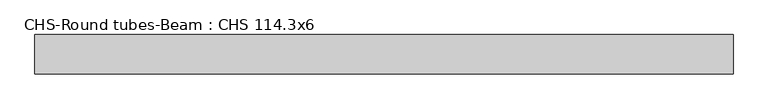
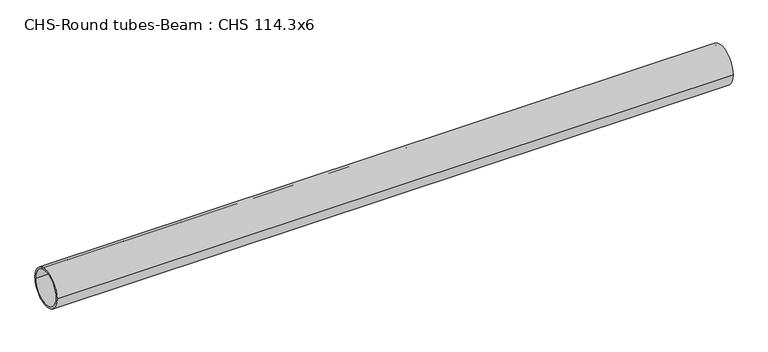
"""IFC4 building model written with IfcOpenShell, lengths in millimetres: beam geometry, CHS-Round tubes-Beam : CHS 114.3x6."""

import ifcopenshell
import ifcopenshell.guid

model = None  # the IFC model being written
_history = None  # IfcOwnerHistory: only IFC2X3 demands one
_inside = {}  # id of a spatial element -> (the spatial element, [elements in it])
_under = {}  # id of a project, library or spatial element -> (it, [spatial elements below it])
_declared = {}  # id of a project -> (the project, [libraries it declares])
_typed = {}  # id of a type object -> (the type object, [elements of that type])
_made_of = {}  # id of a material, layer set ... -> (it, [elements and type objects made of it])


def new_model(schema):
    """Start an empty IFC model of exactly this schema.

    Asked for "IFC4X3", IfcOpenShell would pick the latest addendum, in which some entities
    have other attributes; the version numbers below select the first issue.
    IFC2X3 requires an IfcOwnerHistory on every rooted entity: one is made here for all.
    """
    global model, _history
    if schema == "IFC4X3":
        model = ifcopenshell.file(schema_version=(4, 3, 0, 0))
    else:
        model = ifcopenshell.file(schema=schema)
    _inside.clear()
    _under.clear()
    _declared.clear()
    _typed.clear()
    _made_of.clear()
    _history = None
    if model.schema == "IFC2X3":
        org = make("IfcOrganization", Name="unknown")
        user = make(
            "IfcPersonAndOrganization",
            ThePerson=make("IfcPerson", FamilyName="unknown"),
            TheOrganization=org,
        )
        app = make(
            "IfcApplication",
            ApplicationDeveloper=org,
            Version="unknown",
            ApplicationFullName="unknown",
            ApplicationIdentifier="unknown",
        )
        _history = make(
            "IfcOwnerHistory",
            OwningUser=user,
            OwningApplication=app,
            ChangeAction="ADDED",
            CreationDate=0,
        )
    return model


def make(cls, **values):
    """One entity of the class cls with the attributes given. An attribute that is None is left unset."""
    return model.create_entity(
        cls, **{name: value for name, value in values.items() if value is not None}
    )


def rooted(cls, **values):
    """An entity with a GlobalId (a new one), such as an element, a storey or a relation."""
    return make(cls, GlobalId=ifcopenshell.guid.new(), OwnerHistory=_history, **values)


def si_unit(unit_type, name, prefix=None):
    """IfcSIUnit, for example si_unit("LENGTHUNIT", "METRE", prefix="MILLI")."""
    return make("IfcSIUnit", UnitType=unit_type, Prefix=prefix, Name=name)


def assignment(units):
    """IfcUnitAssignment: the units of a project."""
    return None if units is None else make("IfcUnitAssignment", Units=units)


def point(xyz):
    """IfcCartesianPoint."""
    return None if xyz is None else make("IfcCartesianPoint", Coordinates=xyz)


def direction(xyz):
    """IfcDirection."""
    return None if xyz is None else make("IfcDirection", DirectionRatios=xyz)


def frame(location, z_axis=None, x_axis=None):
    """IfcAxis2Placement3D, a coordinate frame: its origin and axes. An axis left out is left unset."""
    return make(
        "IfcAxis2Placement3D",
        Location=point(location),
        Axis=direction(z_axis),
        RefDirection=direction(x_axis),
    )


def frame_2d(location, x_axis=None):
    """IfcAxis2Placement2D, a coordinate frame in the plane: its origin and x axis."""
    return make(
        "IfcAxis2Placement2D", Location=point(location), RefDirection=direction(x_axis)
    )


def origin():
    """The frame at (0, 0, 0) with its axes left unset."""
    return frame((0.0, 0.0, 0.0))


def origin_2d():
    """The frame at (0, 0) in the plane with its x axis left unset."""
    return frame_2d((0.0, 0.0))


def place(relative_to, where):
    """IfcLocalPlacement: puts the frame where relative to a parent placement (None: the world)."""
    return make(
        "IfcLocalPlacement", PlacementRelTo=relative_to, RelativePlacement=where
    )


def context(
    kind, dimensions, precision=None, world=None, true_north=None, identifier=None
):
    """IfcGeometricRepresentationContext, for example the 3D "Model" context."""
    return make(
        "IfcGeometricRepresentationContext",
        ContextIdentifier=identifier,
        ContextType=kind,
        CoordinateSpaceDimension=dimensions,
        Precision=precision,
        WorldCoordinateSystem=world,
        TrueNorth=true_north,
    )


def project(units=None, contexts=None):
    """IfcProject with its units and contexts."""
    return rooted(
        "IfcProject",
        Name="project",
        RepresentationContexts=contexts,
        UnitsInContext=assignment(units),
    )


def spatial(cls, under=None, at=None, **own):
    """A site, building, storey or space (cls), placed at a placement, below another one or the project."""
    s = rooted(cls, ObjectPlacement=at, **own)
    if under is not None:
        _under.setdefault(under.id(), (under, []))[1].append(s)
    return s


def circle_curve(where, radius):
    """IfcCircle in the frame where."""
    return make("IfcCircle", Position=where, Radius=radius)


def trimmed(basis, trim1, trim2, sense, master):
    """IfcTrimmedCurve: the piece of a basis curve between two trims."""
    return make(
        "IfcTrimmedCurve",
        BasisCurve=basis,
        Trim1=trim1,
        Trim2=trim2,
        SenseAgreement=sense,
        MasterRepresentation=master,
    )


def segment(curve, same_sense, transition):
    """IfcCompositeCurveSegment."""
    return make(
        "IfcCompositeCurveSegment",
        Transition=transition,
        SameSense=same_sense,
        ParentCurve=curve,
    )


def composite_curve(segments, self_intersect=None):
    """IfcCompositeCurve: segments joined end to end."""
    return make("IfcCompositeCurve", Segments=segments, SelfIntersect=self_intersect)


def outline(outer, holes=None, kind="AREA"):
    """IfcArbitraryClosedProfileDef: a profile drawn as a closed curve; with holes, ...WithVoids."""
    if holes is None:
        return make("IfcArbitraryClosedProfileDef", ProfileType=kind, OuterCurve=outer)
    return make(
        "IfcArbitraryProfileDefWithVoids",
        ProfileType=kind,
        OuterCurve=outer,
        InnerCurves=holes,
    )


def extrude(swept, where, along, depth):
    """IfcExtrudedAreaSolid: the profile swept, set in the frame where, extruded along a direction by depth."""
    return make(
        "IfcExtrudedAreaSolid",
        SweptArea=swept,
        Position=where,
        ExtrudedDirection=direction(along),
        Depth=depth,
    )


def shape(context_of_items, identifier, shape_type, items):
    """IfcShapeRepresentation: the items that make up one representation, for example the "Body"."""
    return make(
        "IfcShapeRepresentation",
        ContextOfItems=context_of_items,
        RepresentationIdentifier=identifier,
        RepresentationType=shape_type,
        Items=items,
    )


def source(mapping_origin, context_of_items, identifier, shape_type, items):
    """IfcRepresentationMap: a shape defined once, which mapped items show again and again."""
    return make(
        "IfcRepresentationMap",
        MappingOrigin=mapping_origin,
        MappedRepresentation=shape(context_of_items, identifier, shape_type, items),
    )


def transform(
    local_origin,
    x_axis=None,
    y_axis=None,
    z_axis=None,
    scale=None,
    scale2=None,
    scale3=None,
    uniform=True,
):
    """IfcCartesianTransformationOperator3D, or its non-uniform kind. x_axis, y_axis, z_axis: its Axis1, 2, 3."""
    if uniform:
        return make(
            "IfcCartesianTransformationOperator3D",
            Axis1=direction(x_axis),
            Axis2=direction(y_axis),
            LocalOrigin=point(local_origin),
            Scale=scale,
            Axis3=direction(z_axis),
        )
    return make(
        "IfcCartesianTransformationOperator3DnonUniform",
        Axis1=direction(x_axis),
        Axis2=direction(y_axis),
        LocalOrigin=point(local_origin),
        Scale=scale,
        Axis3=direction(z_axis),
        Scale2=scale2,
        Scale3=scale3,
    )


def mapped(mapping_source, mapping_target):
    """IfcMappedItem: shows the shape of a source again, moved by a transform."""
    return make(
        "IfcMappedItem", MappingSource=mapping_source, MappingTarget=mapping_target
    )


def made_of(thing, what):
    """Note that an element or type object is made of a material, layer set ...; save() writes the relation."""
    if what is not None:
        _made_of.setdefault(what.id(), (what, []))[1].append(thing)
    return thing


def element(
    cls,
    number,
    at=None,
    inside=None,
    cuts=None,
    type_object=None,
    material=None,
    context=None,
    identifier="Body",
    shape_type=None,
    held_by="IfcProductDefinitionShape",
    body=None,
    shapes=None,
    **own,
):
    """One element of the class cls, such as IfcWall. Its Tag is "e" and its number.

    at: its placement. inside: the storey or other place that contains it. cuts: it is an
    opening in that element (IfcRelVoidsElement). A single representation is given by context,
    identifier, shape_type and body (its items); several are given by shapes. held_by: the class
    of the entity that holds the representations. save() writes the other relations.
    """
    e = rooted(cls, Tag="e%d" % number, ObjectPlacement=at, **own)
    if body is not None:
        shapes = [shape(context, identifier, shape_type, body)]
    if shapes is not None:
        e.Representation = make(held_by, Representations=shapes)
    if inside is not None:
        _inside.setdefault(inside.id(), (inside, []))[1].append(e)
    if cuts is not None:
        rooted(
            "IfcRelVoidsElement", RelatingBuildingElement=cuts, RelatedOpeningElement=e
        )
    if type_object is not None:
        _typed.setdefault(type_object.id(), (type_object, []))[1].append(e)
    return made_of(e, material)


def aggregate(whole, parts):
    """IfcRelAggregates: a whole, such as a stair, and the parts it consists of."""
    return rooted("IfcRelAggregates", RelatingObject=whole, RelatedObjects=parts)


def save(model, path):
    """Write the relations noted so far, then the file.

    IfcRelAggregates (storeys below a building ...), IfcRelContainedInSpatialStructure (elements
    in a storey), IfcRelDefinesByType, IfcRelAssociatesMaterial and IfcRelDeclares: one each for
    every whole, place, type object, material and project.
    """
    for whole, parts in _under.values():
        aggregate(whole, parts)
    for where, things in _inside.values():
        rooted(
            "IfcRelContainedInSpatialStructure",
            RelatedElements=things,
            RelatingStructure=where,
        )
    for kind, things in _typed.values():
        rooted("IfcRelDefinesByType", RelatedObjects=things, RelatingType=kind)
    for what, things in _made_of.values():
        rooted("IfcRelAssociatesMaterial", RelatedObjects=things, RelatingMaterial=what)
    for by, libraries in _declared.values():
        rooted("IfcRelDeclares", RelatingContext=by, RelatedDefinitions=libraries)
    model.write(path)


def chs_round_tubes_beam_chs_114_3x6_b495b801(model_context):
    return source(origin(), model_context, "Body", "SweptSolid", [
        extrude(outline(composite_curve([segment(trimmed(circle_curve(origin_2d(), 57.15), [point((57.15, 0.0))], [point((-57.15, 0.0))], False, "CARTESIAN"), True, "CONTINUOUS"), segment(trimmed(circle_curve(origin_2d(), 57.15), [point((-57.15, 0.0))], [point((57.15, 0.0))], False, "CARTESIAN"), True, "CONTINUOUS")], self_intersect=False), holes=[composite_curve([segment(trimmed(circle_curve(origin_2d(), 51.15), [point((51.15, 0.0))], [point((-51.15, 0.0))], True, "CARTESIAN"), True, "CONTINUOUS"), segment(trimmed(circle_curve(origin_2d(), 51.15), [point((-51.15, 0.0))], [point((51.15, 0.0))], True, "CARTESIAN"), True, "CONTINUOUS")], self_intersect=False)]), frame((-991.0685746, 0.0, 0.0), z_axis=(1.0, 0.0, 0.0), x_axis=(0.0, 1.0, 0.0)), (0.0, 0.0, 1.0), 2018.8159539),
    ])


if __name__ == "__main__":
    model = new_model("IFC4")
    model_context = context("Model", 3, world=origin())
    ifc_project = project(units=[si_unit("LENGTHUNIT", "METRE", prefix="MILLI")], contexts=[model_context])
    site = spatial("IfcSite", under=ifc_project)
    building = spatial("IfcBuilding", under=site)
    placement = place(None, origin())
    chs_round_tubes_beam_chs_114_3x6_shape = chs_round_tubes_beam_chs_114_3x6_b495b801(model_context)
    element("IfcBeam", 1, ObjectType="CHS-Round tubes-Beam : CHS 114.3x6", at=placement, inside=building, context=model_context, shape_type="MappedRepresentation", body=[
        mapped(chs_round_tubes_beam_chs_114_3x6_shape, transform((0.0, 0.0, 0.0), x_axis=(1.0, 0.0, 0.0), y_axis=(0.0, 1.0, 0.0), z_axis=(0.0, 0.0, 1.0))),
    ])
    save(model, "model.ifc")
